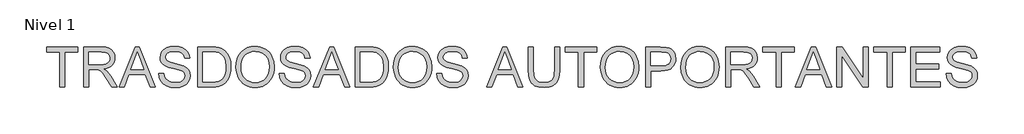
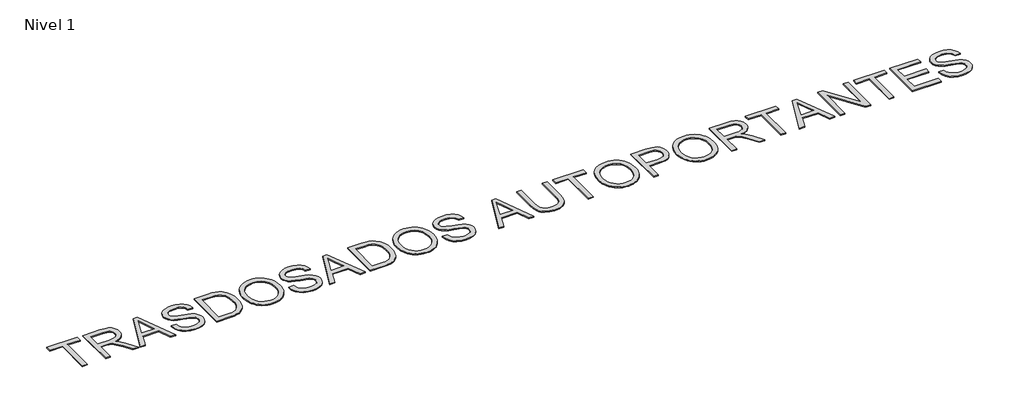
# One storey, part 3 of 13: 1 proxy.
"""IFC4 building model written with IfcOpenShell, lengths in millimetres."""

from ifc_helpers import new_model, si_unit, origin, origin_with_axes, place, context, project, spatial, polyline, outline, extrude, element, save

model = new_model("IFC4")

# Units and contexts
model_context = context("Model", 3, world=origin())
ifc_project = project(units=[si_unit("LENGTHUNIT", "METRE", prefix="MILLI")], contexts=[model_context])

# Site, building, storey
site = spatial("IfcSite", under=ifc_project)
building = spatial("IfcBuilding", under=site)
storey = spatial("IfcBuildingStorey", under=building, Name="Nivel 1", Elevation=0.0)

# Proxy
placement = place(None, origin())
element("IfcBuildingElementProxy", 1, Name="Texto de modelo 1", ObjectType="Texto de modelo 1", at=placement, inside=storey, context=model_context, shape_type="SweptSolid", body=[
    extrude(outline(polyline([(-20440.9936615, -26365.579453), (-20440.9936615, -26013.9823675), (-20572.8425686, -26013.9823675), (-20572.8425686, -25963.7542124), (-20258.9165994, -25963.7542124), (-20258.9165994, -26013.9823675), (-20390.7655064, -26013.9823675), (-20390.7655064, -26365.579453), (-20440.9936615, -26365.579453)])), origin_with_axes(), (0.0, 0.0, 1.0), 10.0),
    extrude(outline(polyline([(-20202.4099249, -26365.579453), (-20202.4099249, -25963.7542124), (-20029.2601325, -25963.7542124), (-19982.7230601, -25966.4642764), (-19948.8656538, -25974.5944685), (-19924.1194583, -25989.6040539), (-19904.9160181, -26012.9522979), (-19892.5919713, -26041.9046109), (-19888.4839557, -26073.7264035), (-19890.1854099, -26094.3645834), (-19895.2897726, -26113.3105062), (-19903.7970437, -26130.5641717), (-19915.7072233, -26146.1255801), (-19931.1735955, -26159.4980907), (-19950.3494445, -26170.1850626), (-19973.2347703, -26178.186496), (-19999.8295729, -26183.5023908), (-19971.2819301, -26204.9866994), (-19930.5696559, -26256.6863824), (-19863.5660819, -26365.579453), (-19921.9366918, -26365.579453), (-19974.224986, -26282.2909693), (-20011.9942042, -26227.1577209), (-20026.0350337, -26211.0812778), (-20038.5307588, -26201.1116757), (-20062.418563, -26191.5467438), (-20091.554817, -26189.7809102), (-20152.1817698, -26189.7809102), (-20152.1817698, -26365.579453), (-20202.4099249, -26365.579453)]), holes=[polyline([(-20152.1817698, -26139.5527552), (-20039.7570321, -26139.5527552), (-20007.4692557, -26137.7746588), (-19982.4164918, -26132.4403699), (-19963.5564082, -26123.1942691), (-19949.8466725, -26109.6807371), (-19941.4957512, -26093.3345138), (-19938.7121108, -26075.5903389), (-19944.0218742, -26051.089398), (-19959.9511646, -26031.3463976), (-19972.1127302, -26023.7496344), (-19987.3583733, -26018.323375), (-20027.1018915, -26013.9823675), (-20152.1817698, -26013.9823675), (-20152.1817698, -26139.5527552)])]), origin_with_axes(), (0.0, 0.0, 1.0), 10.0),
    extrude(outline(polyline([(-19847.3792741, -26365.579453), (-19686.9827242, -25963.7542124), (-19644.2103109, -25963.7542124), (-19483.813761, -26365.579453), (-19536.8868702, -26365.579453), (-19582.896645, -26240.0090653), (-19748.3944919, -26240.0090653), (-19794.3061649, -26365.579453), (-19847.3792741, -26365.579453)]), holes=[polyline([(-19729.9513412, -26189.7809102), (-19601.2416939, -26189.7809102), (-19637.4412822, -26090.9923318), (-19665.5965175, -26013.9823675), (-19690.6124932, -26082.3593676), (-19729.9513412, -26189.7809102)])]), origin_with_axes(), (0.0, 0.0, 1.0), 10.0),
    extrude(outline(polyline([(-19448.9875988, -26227.4520265), (-19398.7594437, -26227.4520265), (-19392.9959591, -26255.325219), (-19382.5726359, -26277.7292325), (-19366.3122517, -26295.5101956), (-19343.0375842, -26309.5142369), (-19314.5880432, -26318.6009222), (-19282.8030388, -26321.6298173), (-19254.8194817, -26319.3366862), (-19230.3185409, -26312.4572929), (-19210.4651758, -26301.5679858), (-19196.4243464, -26287.2451135), (-19188.0734251, -26270.8007883), (-19185.2897846, -26253.5471227), (-19187.3744493, -26236.7349155), (-19193.6284432, -26222.2035767), (-19206.3326348, -26209.8059535), (-19227.7678924, -26199.394893), (-19300.902833, -26180.2159784), (-19348.9114334, -26167.5240495), (-19379.62958, -26155.4452573), (-19404.6332929, -26138.547211), (-19422.3529423, -26118.0684466), (-19432.9111556, -26094.4504225), (-19436.43056, -26068.1345972), (-19432.0772897, -26038.7163003), (-19419.0174789, -26011.2845662), (-19397.5944841, -25988.0344241), (-19368.1516617, -25971.1609032), (-19332.8104647, -25960.8969956), (-19293.6923459, -25957.475693), (-19251.31234, -25961.0564111), (-19214.2298349, -25971.7985654), (-19183.7692057, -25989.4814266), (-19161.2548276, -26013.8842656), (-19147.0055317, -26043.4865035), (-19141.340149, -26076.7675613), (-19191.568304, -26076.7675613), (-19200.7898794, -26046.7974414), (-19209.1530634, -26034.9393785), (-19220.017845, -26025.1659801), (-19250.0615413, -26012.0693811), (-19291.7303086, -26007.7038481), (-19334.3800946, -26012.0203302), (-19350.6833983, -26017.4159328), (-19363.6389759, -26024.9697764), (-19380.5615477, -26044.0260637), (-19386.2024049, -26066.6630692), (-19382.2047539, -26085.9646112), (-19370.2118009, -26101.4892314), (-19341.8603618, -26115.3706453), (-19288.1986414, -26129.5463649), (-19232.8201384, -26143.0108459), (-19199.3183514, -26154.7585443), (-19170.6848694, -26172.9809658), (-19150.7088771, -26195.4708184), (-19138.9734415, -26221.9828475), (-19135.0616296, -26252.2717985), (-19139.5620526, -26283.2351997), (-19153.0633219, -26312.359191), (-19175.0136142, -26337.4242176), (-19204.8611068, -26356.2107248), (-19240.7541268, -26367.9461605), (-19280.8410015, -26371.8579724), (-19330.0513497, -26367.6395922), (-19370.5551574, -26354.9844515), (-19402.8184084, -26333.8434995), (-19427.3070865, -26304.1676853), (-19443.0279105, -26268.0171479), (-19448.9875988, -26227.4520265)])), origin_with_axes(), (0.0, 0.0, 1.0), 10.0),
    extrude(outline(polyline([(-19059.719397, -26365.579453), (-19059.719397, -25963.7542124), (-18921.1014612, -25963.7542124), (-18879.6779485, -25965.2012149), (-18849.3889976, -25969.5422225), (-18817.3587385, -25980.7013096), (-18790.3316746, -25998.286069), (-18762.5443213, -26028.893851), (-18742.7522699, -26066.9573748), (-18730.9064697, -26111.7408763), (-18726.9578696, -26162.5085917), (-18729.6311454, -26205.6366242), (-18737.6509729, -26243.5897834), (-18749.8646552, -26275.9020853), (-18765.1194952, -26302.1075461), (-18782.6797291, -26322.794777), (-18801.8095929, -26338.5523891), (-18823.772148, -26350.2387738), (-18849.830456, -26358.7123224), (-18880.0335678, -26363.8626703), (-18914.4305343, -26365.579453), (-19059.719397, -26365.579453)]), holes=[polyline([(-19009.4912419, -26315.3512979), (-18920.6109518, -26315.3512979), (-18883.8472778, -26313.5364134), (-18855.9618226, -26308.0917599), (-18834.9189724, -26299.3361684), (-18818.6831137, -26287.58847), (-18801.2332444, -26265.8466441), (-18788.1243827, -26237.7036715), (-18779.9206142, -26203.0369248), (-18777.1860247, -26161.7237767), (-18782.5448391, -26106.9829358), (-18789.2433571, -26084.9835925), (-18798.6212822, -26066.5649673), (-18822.3741964, -26038.8021394), (-18850.7624237, -26022.0267204), (-18879.6534231, -26015.9934557), (-18921.984378, -26013.9823675), (-19009.4912419, -26013.9823675), (-19009.4912419, -26315.3512979)])]), origin_with_axes(), (0.0, 0.0, 1.0), 10.0),
    extrude(outline(polyline([(-18676.7297145, -26169.9643334), (-18673.3819884, -26122.8325185), (-18663.3388099, -26081.1085689), (-18646.6001791, -26044.7924846), (-18623.166096, -26013.8842656), (-18594.4406436, -25989.2055151), (-18561.8279047, -25971.5778362), (-18525.3278794, -25961.0012288), (-18484.9405677, -25957.475693), (-18457.9073724, -25959.131162), (-18432.2353405, -25964.0975689), (-18407.924472, -25972.3749138), (-18384.9747669, -25983.9631967), (-18364.0300186, -25998.5129296), (-18345.7340207, -26015.6746246), (-18330.0867732, -26035.4482819), (-18317.088276, -26057.8339013), (-18306.8734193, -26082.3225794), (-18299.5770931, -26108.4054129), (-18293.7400321, -26165.3535458), (-18295.2759394, -26195.0109659), (-18299.8836614, -26223.0619681), (-18307.563198, -26249.5065521), (-18318.3145493, -26274.3447182), (-18331.8832636, -26296.92041), (-18348.0148891, -26316.5775712), (-18366.7094258, -26333.316202), (-18387.9668738, -26347.1363023), (-18410.9503014, -26357.952033), (-18434.8227772, -26365.6775549), (-18459.5843012, -26370.312868), (-18485.2348733, -26371.8579724), (-18512.7401838, -26370.1503868), (-18538.7494409, -26365.02763), (-18563.2626445, -26356.489702), (-18586.2797946, -26344.5366029), (-18607.2000174, -26329.6312507), (-18625.4224389, -26312.2365637), (-18640.9470591, -26292.3525419), (-18653.773878, -26269.9791852), (-18670.9907554, -26221.3574481), (-18676.7297145, -26169.9643334)]), holes=[polyline([(-18626.5015594, -26170.4548428), (-18623.9907648, -26203.7542947), (-18616.458381, -26233.313613), (-18603.9044079, -26259.1327977), (-18586.3288456, -26281.2118488), (-18564.9640987, -26298.89471), (-18541.042572, -26311.5253252), (-18514.5642654, -26319.1036943), (-18485.5291789, -26321.6298173), (-18455.9974517, -26319.0791688), (-18429.2064454, -26311.4272233), (-18405.15616, -26298.6739808), (-18383.8465954, -26280.8194413), (-18366.3997918, -26258.2744064), (-18353.9377892, -26231.4496776), (-18346.4605877, -26200.3452549), (-18343.9681871, -26164.9611383), (-18348.2356183, -26120.4964678), (-18361.0379117, -26082.065062), (-18382.0439736, -26050.6356769), (-18410.9227103, -26027.1770684), (-18445.7611352, -26012.5721532), (-18484.6462621, -26007.7038481), (-18512.6727388, -26010.0490958), (-18538.6758645, -26017.084839), (-18562.6556392, -26028.8110776), (-18584.6120629, -26045.2278116), (-18602.9387176, -26067.1259874), (-18616.0291853, -26095.2965511), (-18623.8834659, -26129.7395029), (-18626.5015594, -26170.4548428)])]), origin_with_axes(), (0.0, 0.0, 1.0), 10.0),
    extrude(outline(polyline([(-18243.511877, -26227.4520265), (-18193.2837219, -26227.4520265), (-18187.5202373, -26255.325219), (-18177.0969141, -26277.7292325), (-18160.8365299, -26295.5101956), (-18137.5618624, -26309.5142369), (-18109.1123214, -26318.6009222), (-18077.327317, -26321.6298173), (-18049.3437599, -26319.3366862), (-18024.8428191, -26312.4572929), (-18004.9894541, -26301.5679858), (-17990.9486246, -26287.2451135), (-17982.5977033, -26270.8007883), (-17979.8140628, -26253.5471227), (-17981.8987275, -26236.7349155), (-17988.1527214, -26222.2035767), (-18000.856913, -26209.8059535), (-18022.2921706, -26199.394893), (-18095.4271112, -26180.2159784), (-18143.4357116, -26167.5240495), (-18174.1538582, -26155.4452573), (-18199.1575711, -26138.547211), (-18216.8772205, -26118.0684466), (-18227.4354338, -26094.4504225), (-18230.9548382, -26068.1345972), (-18226.6015679, -26038.7163003), (-18213.5417571, -26011.2845662), (-18192.1187623, -25988.0344241), (-18162.6759399, -25971.1609032), (-18127.3347429, -25960.8969956), (-18088.2166241, -25957.475693), (-18045.8366183, -25961.0564111), (-18008.7541131, -25971.7985654), (-17978.2934839, -25989.4814266), (-17955.7791058, -26013.8842656), (-17941.5298099, -26043.4865035), (-17935.8644272, -26076.7675613), (-17986.0925822, -26076.7675613), (-17995.3141576, -26046.7974414), (-18003.6773416, -26034.9393785), (-18014.5421232, -26025.1659801), (-18044.5858195, -26012.0693811), (-18086.2545868, -26007.7038481), (-18128.9043728, -26012.0203302), (-18145.2076765, -26017.4159328), (-18158.1632541, -26024.9697764), (-18175.0858259, -26044.0260637), (-18180.7266831, -26066.6630692), (-18176.7290321, -26085.9646112), (-18164.7360791, -26101.4892314), (-18136.38464, -26115.3706453), (-18082.7229196, -26129.5463649), (-18027.3444166, -26143.0108459), (-17993.8426296, -26154.7585443), (-17965.2091476, -26172.9809658), (-17945.2331553, -26195.4708184), (-17933.4977197, -26221.9828475), (-17929.5859078, -26252.2717985), (-17934.0863308, -26283.2351997), (-17947.5876001, -26312.359191), (-17969.5378925, -26337.4242176), (-17999.385385, -26356.2107248), (-18035.278405, -26367.9461605), (-18075.3652797, -26371.8579724), (-18124.575628, -26367.6395922), (-18165.0794356, -26354.9844515), (-18197.3426866, -26333.8434995), (-18221.8313647, -26304.1676853), (-18237.5521887, -26268.0171479), (-18243.511877, -26227.4520265)])), origin_with_axes(), (0.0, 0.0, 1.0), 10.0),
    extrude(outline(polyline([(-17901.0382649, -26365.579453), (-17740.6417151, -25963.7542124), (-17697.8693017, -25963.7542124), (-17537.4727518, -26365.579453), (-17590.545861, -26365.579453), (-17636.5556359, -26240.0090653), (-17802.0534828, -26240.0090653), (-17847.9651558, -26365.579453), (-17901.0382649, -26365.579453)]), holes=[polyline([(-17783.6103321, -26189.7809102), (-17654.9006847, -26189.7809102), (-17691.100273, -26090.9923318), (-17719.2555084, -26013.9823675), (-17744.2714841, -26082.3593676), (-17783.6103321, -26189.7809102)])]), origin_with_axes(), (0.0, 0.0, 1.0), 10.0),
    extrude(outline(polyline([(-17483.8110315, -26365.579453), (-17483.8110315, -25963.7542124), (-17345.1930957, -25963.7542124), (-17303.769583, -25965.2012149), (-17273.4806321, -25969.5422225), (-17241.4503731, -25980.7013096), (-17214.4233092, -25998.286069), (-17186.6359558, -26028.893851), (-17166.8439044, -26066.9573748), (-17154.9981042, -26111.7408763), (-17151.0495041, -26162.5085917), (-17153.7227799, -26205.6366242), (-17161.7426074, -26243.5897834), (-17173.9562897, -26275.9020853), (-17189.2111297, -26302.1075461), (-17206.7713637, -26322.794777), (-17225.9012274, -26338.5523891), (-17247.8637825, -26350.2387738), (-17273.9220905, -26358.7123224), (-17304.1252023, -26363.8626703), (-17338.5221689, -26365.579453), (-17483.8110315, -26365.579453)]), holes=[polyline([(-17433.5828764, -26315.3512979), (-17344.7025864, -26315.3512979), (-17307.9389123, -26313.5364134), (-17280.0534571, -26308.0917599), (-17259.010607, -26299.3361684), (-17242.7747482, -26287.58847), (-17225.3248789, -26265.8466441), (-17212.2160172, -26237.7036715), (-17204.0122487, -26203.0369248), (-17201.2776592, -26161.7237767), (-17206.6364736, -26106.9829358), (-17213.3349916, -26084.9835925), (-17222.7129168, -26066.5649673), (-17246.4658309, -26038.8021394), (-17274.8540582, -26022.0267204), (-17303.7450576, -26015.9934557), (-17346.0760125, -26013.9823675), (-17433.5828764, -26013.9823675), (-17433.5828764, -26315.3512979)])]), origin_with_axes(), (0.0, 0.0, 1.0), 10.0),
    extrude(outline(polyline([(-17100.821349, -26169.9643334), (-17097.4736229, -26122.8325185), (-17087.4304444, -26081.1085689), (-17070.6918136, -26044.7924846), (-17047.2577305, -26013.8842656), (-17018.5322781, -25989.2055151), (-16985.9195392, -25971.5778362), (-16949.4195139, -25961.0012288), (-16909.0322022, -25957.475693), (-16881.9990069, -25959.131162), (-16856.326975, -25964.0975689), (-16832.0161065, -25972.3749138), (-16809.0664014, -25983.9631967), (-16788.1216531, -25998.5129296), (-16769.8256552, -26015.6746246), (-16754.1784077, -26035.4482819), (-16741.1799106, -26057.8339013), (-16730.9650538, -26082.3225794), (-16723.6687276, -26108.4054129), (-16717.8316666, -26165.3535458), (-16719.3675739, -26195.0109659), (-16723.9752959, -26223.0619681), (-16731.6548326, -26249.5065521), (-16742.4061839, -26274.3447182), (-16755.9748981, -26296.92041), (-16772.1065236, -26316.5775712), (-16790.8010603, -26333.316202), (-16812.0585083, -26347.1363023), (-16835.0419359, -26357.952033), (-16858.9144117, -26365.6775549), (-16883.6759357, -26370.312868), (-16909.3265078, -26371.8579724), (-16936.8318183, -26370.1503868), (-16962.8410754, -26365.02763), (-16987.354279, -26356.489702), (-17010.3714292, -26344.5366029), (-17031.291652, -26329.6312507), (-17049.5140734, -26312.2365637), (-17065.0386936, -26292.3525419), (-17077.8655125, -26269.9791852), (-17095.0823899, -26221.3574481), (-17100.821349, -26169.9643334)]), holes=[polyline([(-17050.593194, -26170.4548428), (-17048.0823993, -26203.7542947), (-17040.5500155, -26233.313613), (-17027.9960424, -26259.1327977), (-17010.4204801, -26281.2118488), (-16989.0557332, -26298.89471), (-16965.1342065, -26311.5253252), (-16938.6558999, -26319.1036943), (-16909.6208134, -26321.6298173), (-16880.0890863, -26319.0791688), (-16853.29808, -26311.4272233), (-16829.2477945, -26298.6739808), (-16807.9382299, -26280.8194413), (-16790.4914263, -26258.2744064), (-16778.0294237, -26231.4496776), (-16770.5522222, -26200.3452549), (-16768.0598217, -26164.9611383), (-16772.3272528, -26120.4964678), (-16785.1295462, -26082.065062), (-16806.1356082, -26050.6356769), (-16835.0143448, -26027.1770684), (-16869.8527697, -26012.5721532), (-16908.7378966, -26007.7038481), (-16936.7643733, -26010.0490958), (-16962.767499, -26017.084839), (-16986.7472737, -26028.8110776), (-17008.7036974, -26045.2278116), (-17027.0303522, -26067.1259874), (-17040.1208198, -26095.2965511), (-17047.9751004, -26129.7395029), (-17050.593194, -26170.4548428)])]), origin_with_axes(), (0.0, 0.0, 1.0), 10.0),
    extrude(outline(polyline([(-16667.6035115, -26227.4520265), (-16617.3753564, -26227.4520265), (-16611.6118719, -26255.325219), (-16601.1885487, -26277.7292325), (-16584.9281645, -26295.5101956), (-16561.6534969, -26309.5142369), (-16533.2039559, -26318.6009222), (-16501.4189516, -26321.6298173), (-16473.4353945, -26319.3366862), (-16448.9344536, -26312.4572929), (-16429.0810886, -26301.5679858), (-16415.0402591, -26287.2451135), (-16406.6893378, -26270.8007883), (-16403.9056974, -26253.5471227), (-16405.990362, -26236.7349155), (-16412.2443559, -26222.2035767), (-16424.9485475, -26209.8059535), (-16446.3838051, -26199.394893), (-16519.5187457, -26180.2159784), (-16567.5273461, -26167.5240495), (-16598.2454927, -26155.4452573), (-16623.2492056, -26138.547211), (-16640.9688551, -26118.0684466), (-16651.5270683, -26094.4504225), (-16655.0464728, -26068.1345972), (-16650.6932025, -26038.7163003), (-16637.6333916, -26011.2845662), (-16616.2103968, -25988.0344241), (-16586.7675744, -25971.1609032), (-16551.4263774, -25960.8969956), (-16512.3082586, -25957.475693), (-16469.9282528, -25961.0564111), (-16432.8457477, -25971.7985654), (-16402.3851185, -25989.4814266), (-16379.8707404, -26013.8842656), (-16365.6214444, -26043.4865035), (-16359.9560617, -26076.7675613), (-16410.1842168, -26076.7675613), (-16419.4057921, -26046.7974414), (-16427.7689761, -26034.9393785), (-16438.6337577, -26025.1659801), (-16468.677454, -26012.0693811), (-16510.3462213, -26007.7038481), (-16552.9960073, -26012.0203302), (-16569.299311, -26017.4159328), (-16582.2548886, -26024.9697764), (-16599.1774604, -26044.0260637), (-16604.8183177, -26066.6630692), (-16600.8206667, -26085.9646112), (-16588.8277136, -26101.4892314), (-16560.4762745, -26115.3706453), (-16506.8145542, -26129.5463649), (-16451.4360512, -26143.0108459), (-16417.9342641, -26154.7585443), (-16389.3007822, -26172.9809658), (-16369.3247898, -26195.4708184), (-16357.5893542, -26221.9828475), (-16353.6775423, -26252.2717985), (-16358.1779654, -26283.2351997), (-16371.6792346, -26312.359191), (-16393.629527, -26337.4242176), (-16423.4770195, -26356.2107248), (-16459.3700395, -26367.9461605), (-16499.4569143, -26371.8579724), (-16548.6672625, -26367.6395922), (-16589.1710701, -26354.9844515), (-16621.4343211, -26333.8434995), (-16645.9229993, -26304.1676853), (-16661.6438232, -26268.0171479), (-16667.6035115, -26227.4520265)])), origin_with_axes(), (0.0, 0.0, 1.0), 10.0),
    extrude(outline(polyline([(-16168.1669149, -26365.579453), (-16007.770365, -25963.7542124), (-15964.9979517, -25963.7542124), (-15804.6014018, -26365.579453), (-15857.6745109, -26365.579453), (-15903.6842858, -26240.0090653), (-16069.1821327, -26240.0090653), (-16115.0938057, -26365.579453), (-16168.1669149, -26365.579453)]), holes=[polyline([(-16050.738982, -26189.7809102), (-15922.0293346, -26189.7809102), (-15958.228923, -26090.9923318), (-15986.3841583, -26013.9823675), (-16011.400134, -26082.3593676), (-16050.738982, -26189.7809102)])]), origin_with_axes(), (0.0, 0.0, 1.0), 10.0),
    extrude(outline(polyline([(-15487.2418673, -25963.7542124), (-15437.0137122, -25963.7542124), (-15437.0137122, -26195.5689203), (-15440.422752, -26249.85604), (-15450.6498715, -26291.6596974), (-15458.8352459, -26308.612926), (-15469.7552098, -26323.9106857), (-15499.798906, -26349.539798), (-15518.9410325, -26359.3039993), (-15540.8545367, -26366.2784288), (-15592.9956781, -26371.8579724), (-15643.9963854, -26367.00193), (-15684.7699732, -26352.433803), (-15701.324663, -26341.6334008), (-15715.3287043, -26328.6563634), (-15726.7820971, -26313.5026909), (-15735.6848413, -26296.1723832), (-15747.1259714, -26252.6028923), (-15750.9396814, -26195.5689203), (-15750.9396814, -25963.7542124), (-15700.7115263, -25963.7542124), (-15700.7115263, -26193.8030867), (-15698.2344542, -26238.9422075), (-15690.8032379, -26270.3715926), (-15677.3387569, -26292.137944), (-15656.7618906, -26308.2879636), (-15629.9310305, -26318.2943539), (-15597.7045677, -26321.6298173), (-15570.0214475, -26319.9804797), (-15546.6180213, -26315.0324669), (-15527.4942889, -26306.7857788), (-15512.6502504, -26295.2404155), (-15501.5340828, -26279.0045568), (-15493.593963, -26256.6863824), (-15488.8298912, -26228.2858924), (-15487.2418673, -26193.8030867), (-15487.2418673, -25963.7542124)])), origin_with_axes(), (0.0, 0.0, 1.0), 10.0),
    extrude(outline(polyline([(-15248.6581307, -26365.579453), (-15248.6581307, -26013.9823675), (-15380.5070377, -26013.9823675), (-15380.5070377, -25963.7542124), (-15066.5810685, -25963.7542124), (-15066.5810685, -26013.9823675), (-15198.4299756, -26013.9823675), (-15198.4299756, -26365.579453), (-15248.6581307, -26365.579453)])), origin_with_axes(), (0.0, 0.0, 1.0), 10.0),
    extrude(outline(polyline([(-15028.9099522, -26169.9643334), (-15025.562226, -26122.8325185), (-15015.5190476, -26081.1085689), (-14998.7804168, -26044.7924846), (-14975.3463337, -26013.8842656), (-14946.6208813, -25989.2055151), (-14914.0081424, -25971.5778362), (-14877.5081171, -25961.0012288), (-14837.1208054, -25957.475693), (-14810.0876101, -25959.131162), (-14784.4155782, -25964.0975689), (-14760.1047097, -25972.3749138), (-14737.1550046, -25983.9631967), (-14716.2102563, -25998.5129296), (-14697.9142584, -26015.6746246), (-14682.2670109, -26035.4482819), (-14669.2685137, -26057.8339013), (-14659.053657, -26082.3225794), (-14651.7573307, -26108.4054129), (-14645.9202698, -26165.3535458), (-14647.4561771, -26195.0109659), (-14652.0638991, -26223.0619681), (-14659.7434357, -26249.5065521), (-14670.494787, -26274.3447182), (-14684.0635013, -26296.92041), (-14700.1951268, -26316.5775712), (-14718.8896635, -26333.316202), (-14740.1471115, -26347.1363023), (-14763.1305391, -26357.952033), (-14787.0030149, -26365.6775549), (-14811.7645389, -26370.312868), (-14837.415111, -26371.8579724), (-14864.9204215, -26370.1503868), (-14890.9296785, -26365.02763), (-14915.4428822, -26356.489702), (-14938.4600323, -26344.5366029), (-14959.3802551, -26329.6312507), (-14977.6026766, -26312.2365637), (-14993.1272968, -26292.3525419), (-15005.9541157, -26269.9791852), (-15023.1709931, -26221.3574481), (-15028.9099522, -26169.9643334)]), holes=[polyline([(-14978.6817971, -26170.4548428), (-14976.1710025, -26203.7542947), (-14968.6386187, -26233.313613), (-14956.0846456, -26259.1327977), (-14938.5090833, -26281.2118488), (-14917.1443364, -26298.89471), (-14893.2228097, -26311.5253252), (-14866.744503, -26319.1036943), (-14837.7094166, -26321.6298173), (-14808.1776894, -26319.0791688), (-14781.3866831, -26311.4272233), (-14757.3363977, -26298.6739808), (-14736.0268331, -26280.8194413), (-14718.5800295, -26258.2744064), (-14706.1180269, -26231.4496776), (-14698.6408254, -26200.3452549), (-14696.1484248, -26164.9611383), (-14700.415856, -26120.4964678), (-14713.2181494, -26082.065062), (-14734.2242113, -26050.6356769), (-14763.102948, -26027.1770684), (-14797.9413729, -26012.5721532), (-14836.8264998, -26007.7038481), (-14864.8529765, -26010.0490958), (-14890.8561021, -26017.084839), (-14914.8358769, -26028.8110776), (-14936.7923006, -26045.2278116), (-14955.1189553, -26067.1259874), (-14968.209423, -26095.2965511), (-14976.0637036, -26129.7395029), (-14978.6817971, -26170.4548428)])]), origin_with_axes(), (0.0, 0.0, 1.0), 10.0),
    extrude(outline(polyline([(-14576.8565565, -26365.579453), (-14576.8565565, -25963.7542124), (-14427.9379249, -25963.7542124), (-14367.8995833, -25967.5801851), (-14341.1300368, -25974.7293586), (-14319.0939052, -25986.3666924), (-14301.3497303, -26003.019484), (-14287.4560537, -26025.2150311), (-14278.479733, -26051.3959664), (-14275.4876261, -26080.0049229), (-14277.5079114, -26104.6714106), (-14283.5687672, -26127.3635984), (-14293.6701937, -26148.0814861), (-14307.8121907, -26166.8250737), (-14327.227163, -26182.3619567), (-14353.1475153, -26193.4597302), (-14385.5732475, -26200.1183943), (-14424.5043596, -26202.337949), (-14526.6284015, -26202.337949), (-14526.6284015, -26365.579453), (-14576.8565565, -26365.579453)]), holes=[polyline([(-14526.6284015, -26152.1097939), (-14421.5613036, -26152.1097939), (-14377.0230568, -26147.4990063), (-14360.419316, -26141.7355217), (-14347.5924971, -26133.6666432), (-14338.0214339, -26123.5069688), (-14331.1849602, -26111.4710962), (-14325.7157812, -26081.7707564), (-14328.94088, -26059.2073274), (-14338.6161765, -26040.1755655), (-14353.5399227, -26025.8526932), (-14372.5103709, -26017.4159328), (-14422.738526, -26013.9823675), (-14526.6284015, -26013.9823675), (-14526.6284015, -26152.1097939)])]), origin_with_axes(), (0.0, 0.0, 1.0), 10.0),
    extrude(outline(polyline([(-14225.259471, -26169.9643334), (-14221.9117449, -26122.8325185), (-14211.8685664, -26081.1085689), (-14195.1299356, -26044.7924846), (-14171.6958525, -26013.8842656), (-14142.9704001, -25989.2055151), (-14110.3576612, -25971.5778362), (-14073.8576359, -25961.0012288), (-14033.4703242, -25957.475693), (-14006.4371289, -25959.131162), (-13980.765097, -25964.0975689), (-13956.4542285, -25972.3749138), (-13933.5045234, -25983.9631967), (-13912.5597751, -25998.5129296), (-13894.2637772, -26015.6746246), (-13878.6165297, -26035.4482819), (-13865.6180325, -26057.8339013), (-13855.4031758, -26082.3225794), (-13848.1068496, -26108.4054129), (-13842.2697886, -26165.3535458), (-13843.8056959, -26195.0109659), (-13848.4134179, -26223.0619681), (-13856.0929545, -26249.5065521), (-13866.8443058, -26274.3447182), (-13880.4130201, -26296.92041), (-13896.5446456, -26316.5775712), (-13915.2391823, -26333.316202), (-13936.4966303, -26347.1363023), (-13959.4800579, -26357.952033), (-13983.3525337, -26365.6775549), (-14008.1140577, -26370.312868), (-14033.7646298, -26371.8579724), (-14061.2699403, -26370.1503868), (-14087.2791974, -26365.02763), (-14111.792401, -26356.489702), (-14134.8095511, -26344.5366029), (-14155.7297739, -26329.6312507), (-14173.9521954, -26312.2365637), (-14189.4768156, -26292.3525419), (-14202.3036345, -26269.9791852), (-14219.5205119, -26221.3574481), (-14225.259471, -26169.9643334)]), holes=[polyline([(-14175.0313159, -26170.4548428), (-14172.5205213, -26203.7542947), (-14164.9881375, -26233.313613), (-14152.4341644, -26259.1327977), (-14134.8586021, -26281.2118488), (-14113.4938552, -26298.89471), (-14089.5723285, -26311.5253252), (-14063.0940219, -26319.1036943), (-14034.0589354, -26321.6298173), (-14004.5272082, -26319.0791688), (-13977.7362019, -26311.4272233), (-13953.6859165, -26298.6739808), (-13932.3763519, -26280.8194413), (-13914.9295483, -26258.2744064), (-13902.4675457, -26231.4496776), (-13894.9903442, -26200.3452549), (-13892.4979436, -26164.9611383), (-13896.7653748, -26120.4964678), (-13909.5676682, -26082.065062), (-13930.5737301, -26050.6356769), (-13959.4524668, -26027.1770684), (-13994.2908917, -26012.5721532), (-14033.1760186, -26007.7038481), (-14061.2024953, -26010.0490958), (-14087.205621, -26017.084839), (-14111.1853957, -26028.8110776), (-14133.1418194, -26045.2278116), (-14151.4684741, -26067.1259874), (-14164.5589418, -26095.2965511), (-14172.4132224, -26129.7395029), (-14175.0313159, -26170.4548428)])]), origin_with_axes(), (0.0, 0.0, 1.0), 10.0),
    extrude(outline(polyline([(-13773.2060753, -26365.579453), (-13773.2060753, -25963.7542124), (-13600.0562829, -25963.7542124), (-13553.5192105, -25966.4642764), (-13519.6618043, -25974.5944685), (-13494.9156087, -25989.6040539), (-13475.7121686, -26012.9522979), (-13463.3881217, -26041.9046109), (-13459.2801061, -26073.7264035), (-13460.9815603, -26094.3645834), (-13466.085923, -26113.3105062), (-13474.5931942, -26130.5641717), (-13486.5033738, -26146.1255801), (-13501.969746, -26159.4980907), (-13521.145595, -26170.1850626), (-13544.0309208, -26178.186496), (-13570.6257233, -26183.5023908), (-13542.0780805, -26204.9866994), (-13501.3658064, -26256.6863824), (-13434.3622323, -26365.579453), (-13492.7328422, -26365.579453), (-13545.0211365, -26282.2909693), (-13582.7903546, -26227.1577209), (-13596.8311841, -26211.0812778), (-13609.3269092, -26201.1116757), (-13633.2147134, -26191.5467438), (-13662.3509675, -26189.7809102), (-13722.9779203, -26189.7809102), (-13722.9779203, -26365.579453), (-13773.2060753, -26365.579453)]), holes=[polyline([(-13722.9779203, -26139.5527552), (-13610.5531825, -26139.5527552), (-13578.2654061, -26137.7746588), (-13553.2126422, -26132.4403699), (-13534.3525586, -26123.1942691), (-13520.6428229, -26109.6807371), (-13512.2919016, -26093.3345138), (-13509.5082612, -26075.5903389), (-13514.8180247, -26051.089398), (-13530.747315, -26031.3463976), (-13542.9088807, -26023.7496344), (-13558.1545237, -26018.323375), (-13597.8980419, -26013.9823675), (-13722.9779203, -26013.9823675), (-13722.9779203, -26139.5527552)])]), origin_with_axes(), (0.0, 0.0, 1.0), 10.0),
    extrude(outline(polyline([(-13270.9245246, -26365.579453), (-13270.9245246, -26013.9823675), (-13402.7734317, -26013.9823675), (-13402.7734317, -25963.7542124), (-13088.8474624, -25963.7542124), (-13088.8474624, -26013.9823675), (-13220.6963695, -26013.9823675), (-13220.6963695, -26365.579453), (-13270.9245246, -26365.579453)])), origin_with_axes(), (0.0, 0.0, 1.0), 10.0),
    extrude(outline(polyline([(-13079.1353778, -26365.579453), (-12918.7388279, -25963.7542124), (-12875.9664146, -25963.7542124), (-12715.5698647, -26365.579453), (-12768.6429738, -26365.579453), (-12814.6527487, -26240.0090653), (-12980.1505956, -26240.0090653), (-13026.0622686, -26365.579453), (-13079.1353778, -26365.579453)]), holes=[polyline([(-12961.7074449, -26189.7809102), (-12832.9977975, -26189.7809102), (-12869.1973859, -26090.9923318), (-12897.3526212, -26013.9823675), (-12922.3685969, -26082.3593676), (-12961.7074449, -26189.7809102)])]), origin_with_axes(), (0.0, 0.0, 1.0), 10.0),
    extrude(outline(polyline([(-12661.9081443, -26365.579453), (-12661.9081443, -25963.7542124), (-12608.1483221, -25963.7542124), (-12398.2103302, -26282.0947656), (-12398.2103302, -25963.7542124), (-12347.9821751, -25963.7542124), (-12347.9821751, -26365.579453), (-12401.7419973, -26365.579453), (-12611.6799892, -26047.140798), (-12611.6799892, -26365.579453), (-12661.9081443, -26365.579453)])), origin_with_axes(), (0.0, 0.0, 1.0), 10.0),
    extrude(outline(polyline([(-12159.6265936, -26365.579453), (-12159.6265936, -26013.9823675), (-12291.4755006, -26013.9823675), (-12291.4755006, -25963.7542124), (-11977.5495314, -25963.7542124), (-11977.5495314, -26013.9823675), (-12109.3984385, -26013.9823675), (-12109.3984385, -26365.579453), (-12159.6265936, -26365.579453)])), origin_with_axes(), (0.0, 0.0, 1.0), 10.0),
    extrude(outline(polyline([(-11921.042857, -26365.579453), (-11921.042857, -25963.7542124), (-11632.2309653, -25963.7542124), (-11632.2309653, -26013.9823675), (-11870.8147019, -26013.9823675), (-11870.8147019, -26133.2742358), (-11644.788004, -26133.2742358), (-11644.788004, -26183.5023908), (-11870.8147019, -26183.5023908), (-11870.8147019, -26315.3512979), (-11625.9524459, -26315.3512979), (-11625.9524459, -26365.579453), (-11921.042857, -26365.579453)])), origin_with_axes(), (0.0, 0.0, 1.0), 10.0),
    extrude(outline(polyline([(-11569.4457714, -26227.4520265), (-11519.2176164, -26227.4520265), (-11513.4541318, -26255.325219), (-11503.0308086, -26277.7292325), (-11486.7704244, -26295.5101956), (-11463.4957568, -26309.5142369), (-11435.0462159, -26318.6009222), (-11403.2612115, -26321.6298173), (-11375.2776544, -26319.3366862), (-11350.7767135, -26312.4572929), (-11330.9233485, -26301.5679858), (-11316.882519, -26287.2451135), (-11308.5315977, -26270.8007883), (-11305.7479573, -26253.5471227), (-11307.8326219, -26236.7349155), (-11314.0866158, -26222.2035767), (-11326.7908074, -26209.8059535), (-11348.226065, -26199.394893), (-11421.3610056, -26180.2159784), (-11469.369606, -26167.5240495), (-11500.0877526, -26155.4452573), (-11525.0914655, -26138.547211), (-11542.811115, -26118.0684466), (-11553.3693282, -26094.4504225), (-11556.8887327, -26068.1345972), (-11552.5354624, -26038.7163003), (-11539.4756516, -26011.2845662), (-11518.0526567, -25988.0344241), (-11488.6098344, -25971.1609032), (-11453.2686374, -25960.8969956), (-11414.1505185, -25957.475693), (-11371.7705127, -25961.0564111), (-11334.6880076, -25971.7985654), (-11304.2273784, -25989.4814266), (-11281.7130003, -26013.8842656), (-11267.4637043, -26043.4865035), (-11261.7983216, -26076.7675613), (-11312.0264767, -26076.7675613), (-11321.248052, -26046.7974414), (-11329.611236, -26034.9393785), (-11340.4760176, -26025.1659801), (-11370.5197139, -26012.0693811), (-11412.1884812, -26007.7038481), (-11454.8382672, -26012.0203302), (-11471.141571, -26017.4159328), (-11484.0971485, -26024.9697764), (-11501.0197203, -26044.0260637), (-11506.6605776, -26066.6630692), (-11502.6629266, -26085.9646112), (-11490.6699735, -26101.4892314), (-11462.3185344, -26115.3706453), (-11408.6568141, -26129.5463649), (-11353.2783111, -26143.0108459), (-11319.776524, -26154.7585443), (-11291.1430421, -26172.9809658), (-11271.1670497, -26195.4708184), (-11259.4316141, -26221.9828475), (-11255.5198022, -26252.2717985), (-11260.0202253, -26283.2351997), (-11273.5214945, -26312.359191), (-11295.4717869, -26337.4242176), (-11325.3192794, -26356.2107248), (-11361.2122994, -26367.9461605), (-11401.2991742, -26371.8579724), (-11450.5095224, -26367.6395922), (-11491.0133301, -26354.9844515), (-11523.276581, -26333.8434995), (-11547.7652592, -26304.1676853), (-11563.4860831, -26268.0171479), (-11569.4457714, -26227.4520265)])), origin_with_axes(), (0.0, 0.0, 1.0), 10.0),
])

save(model, "model.ifc")
